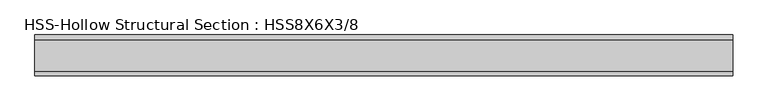
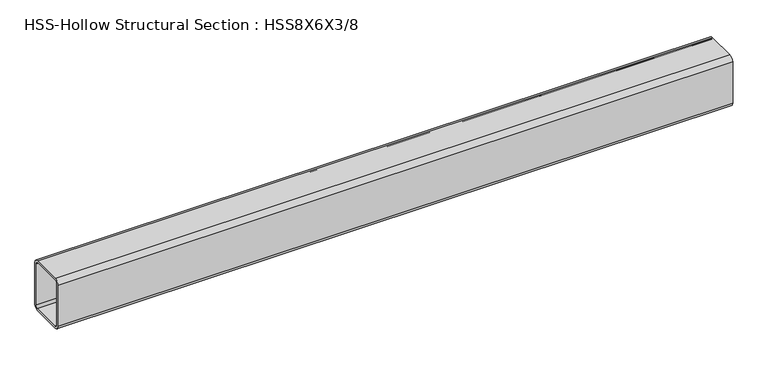
"""IFC4 building model written with IfcOpenShell, lengths in millimetres: beam geometry, HSS-Hollow Structural Section : HSS8X6X3/8."""

from ifc_helpers import new_model, si_unit, point, frame, frame_2d, origin, place, context, project, spatial, polyline, circle_curve, trimmed, segment, composite_curve, outline, extrude, source, transform, mapped, element, save


def hss_hollow_structural_section_hss8x6x3_8_fac287de(model_context):
    return source(origin(), model_context, "Body", "SweptSolid", [
        extrude(outline(composite_curve([segment(polyline([(76.2, 83.8708), (76.2, -83.8708)]), True, "CONTINUOUS"), segment(trimmed(circle_curve(frame_2d((58.4708, -83.8708)), 17.7292), [point((76.2, -83.8708))], [point((58.4708, -101.6))], False, "CARTESIAN"), True, "CONTINUOUS"), segment(polyline([(58.4708, -101.6), (-58.4708, -101.6)]), True, "CONTINUOUS"), segment(trimmed(circle_curve(frame_2d((-58.4708, -83.8708)), 17.7292), [point((-58.4708, -101.6))], [point((-76.2, -83.8708))], False, "CARTESIAN"), True, "CONTINUOUS"), segment(polyline([(-76.2, -83.8708), (-76.2, 83.8708)]), True, "CONTINUOUS"), segment(trimmed(circle_curve(frame_2d((-58.4708, 83.8708)), 17.7292), [point((-76.2, 83.8708))], [point((-58.4708, 101.6))], False, "CARTESIAN"), True, "CONTINUOUS"), segment(polyline([(-58.4708, 101.6), (58.4708, 101.6)]), True, "CONTINUOUS"), segment(trimmed(circle_curve(frame_2d((58.4708, 83.8708)), 17.7292), [point((58.4708, 101.6))], [point((76.2, 83.8708))], False, "CARTESIAN"), True, "CONTINUOUS")], self_intersect=False), holes=[composite_curve([segment(trimmed(circle_curve(frame_2d((-58.4708, 83.8708)), 8.8646), [point((-58.4708, 92.7354))], [point((-67.3354, 83.8708))], True, "CARTESIAN"), True, "CONTINUOUS"), segment(polyline([(-67.3354, 83.8708), (-67.3354, -83.8708)]), True, "CONTINUOUS"), segment(trimmed(circle_curve(frame_2d((-58.4708, -83.8708)), 8.8646), [point((-67.3354, -83.8708))], [point((-58.4708, -92.7354))], True, "CARTESIAN"), True, "CONTINUOUS"), segment(polyline([(-58.4708, -92.7354), (58.4708, -92.7354)]), True, "CONTINUOUS"), segment(trimmed(circle_curve(frame_2d((58.4708, -83.8708)), 8.8646), [point((58.4708, -92.7354))], [point((67.3354, -83.8708))], True, "CARTESIAN"), True, "CONTINUOUS"), segment(polyline([(67.3354, -83.8708), (67.3354, 83.8708)]), True, "CONTINUOUS"), segment(trimmed(circle_curve(frame_2d((58.4708, 83.8708)), 8.8646), [point((67.3354, 83.8708))], [point((58.4708, 92.7354))], True, "CARTESIAN"), True, "CONTINUOUS"), segment(polyline([(58.4708, 92.7354), (-58.4708, 92.7354)]), True, "CONTINUOUS")], self_intersect=False)]), frame((-1287.6113281, 0.0, 0.0), z_axis=(1.0, 0.0, 0.0), x_axis=(0.0, 1.0, 0.0)), (0.0, 0.0, 1.0), 2600.6226563),
    ])


if __name__ == "__main__":
    model = new_model("IFC4")
    model_context = context("Model", 3, world=origin())
    ifc_project = project(units=[si_unit("LENGTHUNIT", "METRE", prefix="MILLI")], contexts=[model_context])
    site = spatial("IfcSite", under=ifc_project)
    building = spatial("IfcBuilding", under=site)
    placement = place(None, origin())
    hss_hollow_structural_section_hss8x6x3_8_shape = hss_hollow_structural_section_hss8x6x3_8_fac287de(model_context)
    element("IfcBeam", 1, ObjectType="HSS-Hollow Structural Section : HSS8X6X3/8", at=placement, inside=building, context=model_context, shape_type="MappedRepresentation", body=[
        mapped(hss_hollow_structural_section_hss8x6x3_8_shape, transform((0.0, 0.0, 0.0), x_axis=(1.0, 0.0, 0.0), y_axis=(0.0, 1.0, 0.0), z_axis=(0.0, 0.0, 1.0))),
    ])
    save(model, "model.ifc")
